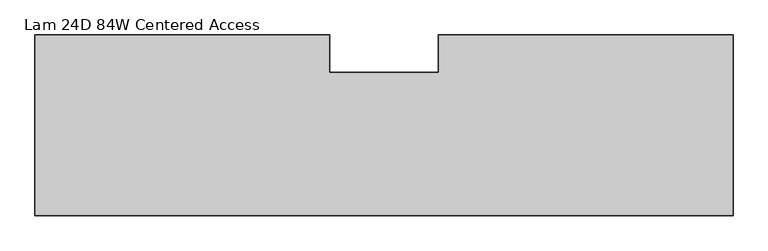
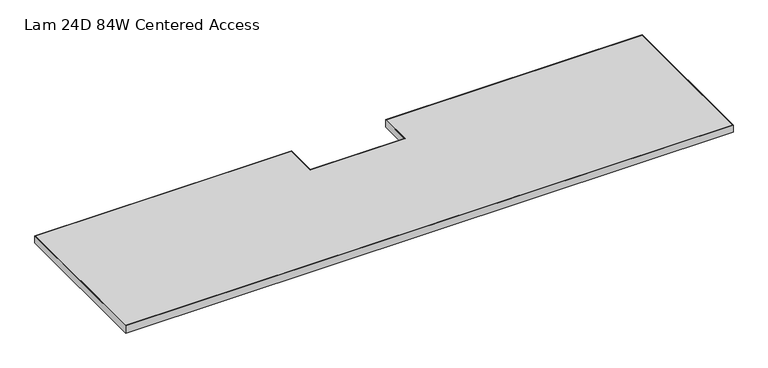
"""IFC4 building model written with IfcOpenShell, lengths in millimetres: furniture geometry, Lam 24D 84W Centered Access."""

from ifc_helpers import new_model, si_unit, frame, origin, place, context, project, spatial, polyline, outline, extrude, source, transform, mapped, element, save


def lam_24d_84w_centered_access_f12f2930(model_context):
    return source(origin(), model_context, "Body", "SweptSolid", [
        extrude(outline(polyline([(2130.5520029, -54.1019984), (2130.5520029, -606.4250121), (0.0, -606.4250121), (0.0, -54.1019984), (900.4299952, -54.1019984), (900.4299952, -168.1480031), (1230.1220078, -168.1480031), (1230.1220078, -54.1019984), (2130.5520029, -54.1019984)]), holes=[polyline([(1.6002, -55.7021984), (1.6002, -604.8248121), (2128.9518029, -604.8248121), (2128.9518029, -55.7021984), (1231.7222078, -55.7021984), (1231.7222078, -169.7482031), (898.8297952, -169.7482031), (898.8297952, -55.7021984), (1.6002, -55.7021984)])]), frame((0.0, 0.0, 697.23), z_axis=(0.0, 0.0, 1.0), x_axis=(1.0, 0.0, 0.0)), (0.0, 0.0, 1.0), 26.67),
        extrude(outline(polyline([(1.6002, -604.8248121), (1.6002, -55.7021984), (898.8297952, -55.7021984), (898.8297952, -169.7482031), (1231.7222078, -169.7482031), (1231.7222078, -55.7021984), (2128.9518029, -55.7021984), (2128.9518029, -604.8248121), (1.6002, -604.8248121)])), frame((0.0, 0.0, 697.23), z_axis=(0.0, 0.0, 1.0), x_axis=(1.0, 0.0, 0.0)), (0.0, 0.0, 1.0), 26.67),
    ])


if __name__ == "__main__":
    model = new_model("IFC4")
    model_context = context("Model", 3, world=origin())
    ifc_project = project(units=[si_unit("LENGTHUNIT", "METRE", prefix="MILLI")], contexts=[model_context])
    site = spatial("IfcSite", under=ifc_project)
    building = spatial("IfcBuilding", under=site)
    placement = place(None, origin())
    lam_24d_84w_centered_access_shape = lam_24d_84w_centered_access_f12f2930(model_context)
    element("IfcFurniture", 1, ObjectType="Lam 24D 84W Centered Access", at=placement, inside=building, context=model_context, shape_type="MappedRepresentation", body=[
        mapped(lam_24d_84w_centered_access_shape, transform((0.0, 0.0, 0.0), x_axis=(1.0, 0.0, 0.0), y_axis=(0.0, 1.0, 0.0), z_axis=(0.0, 0.0, 1.0))),
    ])
    save(model, "model.ifc")
